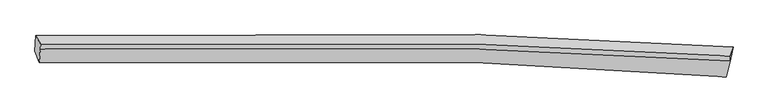
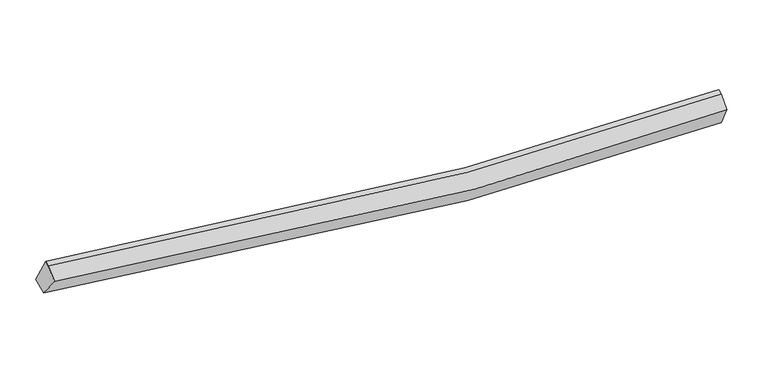
"""IFC4 building model written with IfcOpenShell, lengths in millimetres: proxy geometry."""

import ifcopenshell
import ifcopenshell.guid

model = None  # the IFC model being written
_history = None  # IfcOwnerHistory: only IFC2X3 demands one
_inside = {}  # id of a spatial element -> (the spatial element, [elements in it])
_under = {}  # id of a project, library or spatial element -> (it, [spatial elements below it])
_declared = {}  # id of a project -> (the project, [libraries it declares])
_typed = {}  # id of a type object -> (the type object, [elements of that type])
_made_of = {}  # id of a material, layer set ... -> (it, [elements and type objects made of it])


def new_model(schema):
    """Start an empty IFC model of exactly this schema.

    Asked for "IFC4X3", IfcOpenShell would pick the latest addendum, in which some entities
    have other attributes; the version numbers below select the first issue.
    IFC2X3 requires an IfcOwnerHistory on every rooted entity: one is made here for all.
    """
    global model, _history
    if schema == "IFC4X3":
        model = ifcopenshell.file(schema_version=(4, 3, 0, 0))
    else:
        model = ifcopenshell.file(schema=schema)
    _inside.clear()
    _under.clear()
    _declared.clear()
    _typed.clear()
    _made_of.clear()
    _history = None
    if model.schema == "IFC2X3":
        org = make("IfcOrganization", Name="unknown")
        user = make(
            "IfcPersonAndOrganization",
            ThePerson=make("IfcPerson", FamilyName="unknown"),
            TheOrganization=org,
        )
        app = make(
            "IfcApplication",
            ApplicationDeveloper=org,
            Version="unknown",
            ApplicationFullName="unknown",
            ApplicationIdentifier="unknown",
        )
        _history = make(
            "IfcOwnerHistory",
            OwningUser=user,
            OwningApplication=app,
            ChangeAction="ADDED",
            CreationDate=0,
        )
    return model


def make(cls, **values):
    """One entity of the class cls with the attributes given. An attribute that is None is left unset."""
    return model.create_entity(
        cls, **{name: value for name, value in values.items() if value is not None}
    )


def rooted(cls, **values):
    """An entity with a GlobalId (a new one), such as an element, a storey or a relation."""
    return make(cls, GlobalId=ifcopenshell.guid.new(), OwnerHistory=_history, **values)


def si_unit(unit_type, name, prefix=None):
    """IfcSIUnit, for example si_unit("LENGTHUNIT", "METRE", prefix="MILLI")."""
    return make("IfcSIUnit", UnitType=unit_type, Prefix=prefix, Name=name)


def assignment(units):
    """IfcUnitAssignment: the units of a project."""
    return None if units is None else make("IfcUnitAssignment", Units=units)


def point(xyz):
    """IfcCartesianPoint."""
    return None if xyz is None else make("IfcCartesianPoint", Coordinates=xyz)


def direction(xyz):
    """IfcDirection."""
    return None if xyz is None else make("IfcDirection", DirectionRatios=xyz)


def frame(location, z_axis=None, x_axis=None):
    """IfcAxis2Placement3D, a coordinate frame: its origin and axes. An axis left out is left unset."""
    return make(
        "IfcAxis2Placement3D",
        Location=point(location),
        Axis=direction(z_axis),
        RefDirection=direction(x_axis),
    )


def origin():
    """The frame at (0, 0, 0) with its axes left unset."""
    return frame((0.0, 0.0, 0.0))


def place(relative_to, where):
    """IfcLocalPlacement: puts the frame where relative to a parent placement (None: the world)."""
    return make(
        "IfcLocalPlacement", PlacementRelTo=relative_to, RelativePlacement=where
    )


def context(
    kind, dimensions, precision=None, world=None, true_north=None, identifier=None
):
    """IfcGeometricRepresentationContext, for example the 3D "Model" context."""
    return make(
        "IfcGeometricRepresentationContext",
        ContextIdentifier=identifier,
        ContextType=kind,
        CoordinateSpaceDimension=dimensions,
        Precision=precision,
        WorldCoordinateSystem=world,
        TrueNorth=true_north,
    )


def project(units=None, contexts=None):
    """IfcProject with its units and contexts."""
    return rooted(
        "IfcProject",
        Name="project",
        RepresentationContexts=contexts,
        UnitsInContext=assignment(units),
    )


def spatial(cls, under=None, at=None, **own):
    """A site, building, storey or space (cls), placed at a placement, below another one or the project."""
    s = rooted(cls, ObjectPlacement=at, **own)
    if under is not None:
        _under.setdefault(under.id(), (under, []))[1].append(s)
    return s


def shape(context_of_items, identifier, shape_type, items):
    """IfcShapeRepresentation: the items that make up one representation, for example the "Body"."""
    return make(
        "IfcShapeRepresentation",
        ContextOfItems=context_of_items,
        RepresentationIdentifier=identifier,
        RepresentationType=shape_type,
        Items=items,
    )


def source(mapping_origin, context_of_items, identifier, shape_type, items):
    """IfcRepresentationMap: a shape defined once, which mapped items show again and again."""
    return make(
        "IfcRepresentationMap",
        MappingOrigin=mapping_origin,
        MappedRepresentation=shape(context_of_items, identifier, shape_type, items),
    )


def transform(
    local_origin,
    x_axis=None,
    y_axis=None,
    z_axis=None,
    scale=None,
    scale2=None,
    scale3=None,
    uniform=True,
):
    """IfcCartesianTransformationOperator3D, or its non-uniform kind. x_axis, y_axis, z_axis: its Axis1, 2, 3."""
    if uniform:
        return make(
            "IfcCartesianTransformationOperator3D",
            Axis1=direction(x_axis),
            Axis2=direction(y_axis),
            LocalOrigin=point(local_origin),
            Scale=scale,
            Axis3=direction(z_axis),
        )
    return make(
        "IfcCartesianTransformationOperator3DnonUniform",
        Axis1=direction(x_axis),
        Axis2=direction(y_axis),
        LocalOrigin=point(local_origin),
        Scale=scale,
        Axis3=direction(z_axis),
        Scale2=scale2,
        Scale3=scale3,
    )


def mapped(mapping_source, mapping_target):
    """IfcMappedItem: shows the shape of a source again, moved by a transform."""
    return make(
        "IfcMappedItem", MappingSource=mapping_source, MappingTarget=mapping_target
    )


def made_of(thing, what):
    """Note that an element or type object is made of a material, layer set ...; save() writes the relation."""
    if what is not None:
        _made_of.setdefault(what.id(), (what, []))[1].append(thing)
    return thing


def element(
    cls,
    number,
    at=None,
    inside=None,
    cuts=None,
    type_object=None,
    material=None,
    context=None,
    identifier="Body",
    shape_type=None,
    held_by="IfcProductDefinitionShape",
    body=None,
    shapes=None,
    **own,
):
    """One element of the class cls, such as IfcWall. Its Tag is "e" and its number.

    at: its placement. inside: the storey or other place that contains it. cuts: it is an
    opening in that element (IfcRelVoidsElement). A single representation is given by context,
    identifier, shape_type and body (its items); several are given by shapes. held_by: the class
    of the entity that holds the representations. save() writes the other relations.
    """
    e = rooted(cls, Tag="e%d" % number, ObjectPlacement=at, **own)
    if body is not None:
        shapes = [shape(context, identifier, shape_type, body)]
    if shapes is not None:
        e.Representation = make(held_by, Representations=shapes)
    if inside is not None:
        _inside.setdefault(inside.id(), (inside, []))[1].append(e)
    if cuts is not None:
        rooted(
            "IfcRelVoidsElement", RelatingBuildingElement=cuts, RelatedOpeningElement=e
        )
    if type_object is not None:
        _typed.setdefault(type_object.id(), (type_object, []))[1].append(e)
    return made_of(e, material)


def aggregate(whole, parts):
    """IfcRelAggregates: a whole, such as a stair, and the parts it consists of."""
    return rooted("IfcRelAggregates", RelatingObject=whole, RelatedObjects=parts)


def save(model, path):
    """Write the relations noted so far, then the file.

    IfcRelAggregates (storeys below a building ...), IfcRelContainedInSpatialStructure (elements
    in a storey), IfcRelDefinesByType, IfcRelAssociatesMaterial and IfcRelDeclares: one each for
    every whole, place, type object, material and project.
    """
    for whole, parts in _under.values():
        aggregate(whole, parts)
    for where, things in _inside.values():
        rooted(
            "IfcRelContainedInSpatialStructure",
            RelatedElements=things,
            RelatingStructure=where,
        )
    for kind, things in _typed.values():
        rooted("IfcRelDefinesByType", RelatedObjects=things, RelatingType=kind)
    for what, things in _made_of.values():
        rooted("IfcRelAssociatesMaterial", RelatedObjects=things, RelatingMaterial=what)
    for by, libraries in _declared.values():
        rooted("IfcRelDeclares", RelatingContext=by, RelatedDefinitions=libraries)
    model.write(path)


def plane_surface(at):
    """IfcPlane: the flat surface through the origin of the frame at, square to its z axis."""
    return make("IfcPlane", Position=at)


def spline_curve(degree, points, multiplicities, knots, weights=None):
    """IfcBSplineCurveWithKnots; with weights, IfcRationalBSplineCurveWithKnots."""
    own = dict(
        Degree=degree,
        ControlPointsList=[point(p) for p in points],
        CurveForm="UNSPECIFIED",
        ClosedCurve=False,
        SelfIntersect=False,
        KnotMultiplicities=multiplicities,
        Knots=knots,
        KnotSpec="UNSPECIFIED",
    )
    if weights is None:
        return make("IfcBSplineCurveWithKnots", **own)
    return make("IfcRationalBSplineCurveWithKnots", WeightsData=weights, **own)


def spline_surface(u_degree, v_degree, points, u_multiplicities, v_multiplicities, u_knots, v_knots, weights=None):
    """IfcBSplineSurfaceWithKnots; with weights, IfcRationalBSplineSurfaceWithKnots. points: one row for each step in u."""
    own = dict(
        UDegree=u_degree,
        VDegree=v_degree,
        ControlPointsList=[[point(p) for p in row] for row in points],
        SurfaceForm="UNSPECIFIED",
        UClosed=False,
        VClosed=False,
        SelfIntersect=False,
        UMultiplicities=u_multiplicities,
        VMultiplicities=v_multiplicities,
        UKnots=u_knots,
        VKnots=v_knots,
        KnotSpec="UNSPECIFIED",
    )
    if weights is None:
        return make("IfcBSplineSurfaceWithKnots", **own)
    return make("IfcRationalBSplineSurfaceWithKnots", WeightsData=weights, **own)


def advanced_brep(points, edges, surfaces, faces):
    """IfcAdvancedBrep: a solid bounded by faces that lie on surfaces and meet in shared edges.

    An edge is (start, end): straight between two places in points (the first is 0);
    or (start, end, curve); or (start, end, curve, False) where it runs against its curve.
    A face is (place in surfaces, loops), or (place, loops, False) where it looks against
    its surface's normal. A loop lists edges by number (the first is 1), with a minus sign
    where the edge is run from its end to its start. The first loop is the outer one.
    """
    corners = [point(p) for p in points]
    vertices = [make("IfcVertexPoint", VertexGeometry=c) for c in corners]
    made = []
    for start, end, *more in edges:
        made.append(
            make(
                "IfcEdgeCurve",
                EdgeStart=vertices[start],
                EdgeEnd=vertices[end],
                EdgeGeometry=more[0] if more else make("IfcPolyline", Points=[corners[start], corners[end]]),
                SameSense=more[1] if len(more) > 1 else True,
            )
        )
    hull = []
    for where, loops, *sense in faces:
        bounds = []
        for j, loop in enumerate(loops):
            ring = [make("IfcOrientedEdge", EdgeElement=made[abs(k) - 1], Orientation=k > 0) for k in loop]
            bounds.append(
                make(
                    "IfcFaceOuterBound" if j == 0 else "IfcFaceBound",
                    Bound=make("IfcEdgeLoop", EdgeList=ring),
                    Orientation=True,
                )
            )
        hull.append(make("IfcAdvancedFace", Bounds=bounds, FaceSurface=surfaces[where], SameSense=sense[0] if sense else True))
    return make("IfcAdvancedBrep", Outer=make("IfcClosedShell", CfsFaces=hull))


def generic_models_8a6316df(model_context):
    return source(origin(), model_context, "Body", "AdvancedBrep", [
        advanced_brep(
        [(-9645.4913677, -2011.8560675, 3559.8799524), (-9629.677168, -1599.8119239, 3699.0227197), (8898.1457954, -1909.3241356, 2411.3974737), (8786.089627, -2331.1296569, 2255.5478235), (-9535.2324308, -2324.5552172, 4035.7604087), (8722.343011, -2707.2617336, 2883.3022507), (-9499.5952292, -1959.7413886, 4261.8543728), (8822.0594428, -2278.807266, 3040.438874), (-9493.82976, -1823.2496128, 4310.4522585), (8827.6261028, -2147.0221032, 3087.3609706)],
        [
            (0, 1),
            (1, 2, spline_curve(3, [(-9629.677168, -1599.8119239, 3699.0227197), (-5768.752631178, -1469.438667703, 2914.030283643), (-1877.450827623, -1462.911994679, 2453.941314081), (4318.64988148, -1648.272901537, 2240.353467756), (6603.289065901, -1757.970311263, 2271.234021725), (8898.1457954, -1909.3241356, 2411.3974737)], [4, 2, 4], [0.0, 38.57307817008552, 60.94396627935885])),
            (2, 3),
            (3, 0, spline_curve(3, [(8786.089627, -2331.1296569, 2255.5478235), (6533.880514004, -2169.263198188, 2103.746705187), (4280.556786977, -2052.473634301, 2066.250734369), (-1861.104355039, -1857.110158806, 2275.498393161), (-5751.640960642, -1867.475192116, 2747.771739151), (-9645.4913677, -2011.8560675, 3559.8799524)], [4, 2, 4], [0.0, 22.370888109273324, 60.94396627935885])),
            (4, 0),
            (3, 5),
            (5, 4, spline_curve(3, [(8722.343011, -2707.2617336, 2883.3022507), (6496.227170554, -2533.601173691, 2695.456037467), (4267.233900678, -2406.497765869, 2628.32485589), (-1812.947270072, -2187.069360085, 2774.300839268), (-5669.812480692, -2186.603929283, 3225.584739972), (-9535.2324308, -2324.5552172, 4035.7604087)], [4, 2, 4], [0.0, 22.210063324601833, 60.50583882523058])),
            (6, 4),
            (5, 7),
            (7, 6, spline_curve(3, [(8822.0594428, -2278.807266, 3040.438874), (6558.604840256, -2135.398216996, 2904.208691549), (4303.1007939, -2030.300174038, 2872.843851207), (-1819.804272141, -1848.355368878, 3073.077836399), (-5671.518449336, -1847.098118727, 3511.58117672), (-9499.5952292, -1959.7413886, 4261.8543728)], [4, 2, 4], [0.0, 22.13557958820701, 60.30292625881686])),
            (8, 6),
            (7, 9),
            (9, 8, spline_curve(3, [(8827.6261028, -2147.0221032, 3087.3609706), (6564.366799492, -1998.989537631, 2952.776990546), (4308.995292645, -1890.753753129, 2922.529343116), (-1813.719675666, -1704.308569224, 3124.365687776), (-5665.500122864, -1704.620190453, 3562.31043201), (-9493.82976, -1823.2496128, 4310.4522585)], [4, 2, 4], [0.0, 22.16793963625615, 60.39108322726048])),
            (1, 8),
            (9, 2),
            (7, 2),
            (3, 7),
        ],
        [
            spline_surface(3, 3, [[(-9645.4913677, -2011.8560675, 3559.8799524), (-5751.640960177, -1867.475192378, 2747.771739342), (-1861.104355547, -1857.110158492, 2275.49839274), (4280.556787271, -2052.473634483, 2066.250734613), (6533.880514175, -2169.263198201, 2103.746704958), (8786.089627, -2331.1296569, 2255.5478235)], [(-9640.219967797, -1874.508019639, 3606.260874834), (-5757.34485065, -1734.796350688, 2803.191253927), (-1866.553179756, -1725.710770609, 2334.979366443), (4293.254485441, -1917.740056791, 2124.284979068), (6557.016698152, -2032.165569183, 2159.575810623), (8823.441683119, -2190.527816482, 2307.497706913)], [(-9634.948567903, -1737.159971761, 3652.641797266), (-5763.048741133, -1602.117508982, 2858.610768511), (-1872.002003952, -1594.311382749, 2394.460340091), (4305.952183623, -1783.006479121, 2182.319223468), (6580.152882171, -1895.067940118, 2215.404916248), (8860.793739281, -2049.925976018, 2359.447590287)], [(-9629.677168, -1599.8119239, 3699.0227197), (-5768.752631607, -1469.438667293, 2914.030283096), (-1877.450828161, -1462.911994866, 2453.941313793), (4318.649881792, -1648.272901429, 2240.353467923), (6603.289066148, -1757.9703111, 2271.234021912), (8898.1457954, -1909.3241356, 2411.3974737)]], [4, 4], [4, 2, 4], [0.0, 1.4266822611315861], [0.0, 38.57307817008552, 60.94396627935885]),
            spline_surface(3, 3, [[(-9535.2324308, -2324.5552172, 4035.7604087), (-5669.812480254, -2186.603929431, 3225.58473973), (-1812.947269631, -2187.069360315, 2774.300839041), (4267.233900422, -2406.497765736, 2628.324856022), (6496.227170344, -2533.601173619, 2695.45603733), (8722.343011, -2707.2617336, 2883.3022507)], [(-9571.985409765, -2220.322167311, 3877.133589955), (-5697.088640226, -2080.227683758, 3066.313739622), (-1828.999631588, -2077.08295972, 2608.033356951), (4271.67486272, -2288.489721998, 2440.966815563), (6508.778284946, -2412.155181792, 2498.219593182), (8743.591882991, -2581.884374679, 2674.050774942)], [(-9608.738388735, -2116.089117389, 3718.506771145), (-5724.364800205, -1973.851438051, 2907.042739449), (-1845.05199359, -1967.096559087, 2441.76587483), (4276.115824973, -2170.481678221, 2253.608775072), (6521.329399573, -2290.709190028, 2300.983149107), (8764.840755009, -2456.507015821, 2464.799299258)], [(-9645.4913677, -2011.8560675, 3559.8799524), (-5751.640960177, -1867.475192378, 2747.771739342), (-1861.104355547, -1857.110158492, 2275.49839274), (4280.556787271, -2052.473634483, 2066.250734613), (6533.880514175, -2169.263198201, 2103.746704958), (8786.089627, -2331.1296569, 2255.5478235)]], [4, 4], [4, 2, 4], [0.0, 2.023795362376315], [0.0, 38.29577550062875, 60.50583882523058]),
            spline_surface(3, 3, [[(-9499.5952292, -1959.7413886, 4261.8543728), (-5671.518449181, -1847.098118936, 3511.581177064), (-1819.804271641, -1848.355368683, 3073.077836985), (4303.10079361, -2030.300174151, 2872.843850868), (6558.604840061, -2135.398216864, 2904.208691307), (8822.0594428, -2278.807266, 3040.438874)], [(-9511.474296422, -2081.345998126, 4186.489718103), (-5670.949792894, -1960.266722427, 3416.249031289), (-1817.518604318, -1961.260032535, 2973.485504328), (4291.145162534, -2155.699371321, 2791.337519243), (6537.81228349, -2268.132535788, 2834.624473322), (8788.820632201, -2421.625421872, 2988.059999573)], [(-9523.353363578, -2202.950607674, 4111.125063397), (-5670.381136541, -2073.435325939, 3320.916885505), (-1815.232936954, -2074.164696463, 2873.893171697), (4279.189531498, -2281.098568566, 2709.831187646), (6517.019726916, -2400.866854695, 2765.040255316), (8755.581821599, -2564.443577728, 2935.681125127)], [(-9535.2324308, -2324.5552172, 4035.7604087), (-5669.812480254, -2186.603929431, 3225.58473973), (-1812.947269631, -2187.069360315, 2774.300839041), (4267.233900422, -2406.497765736, 2628.324856022), (6496.227170344, -2533.601173619, 2695.45603733), (8722.343011, -2707.2617336, 2883.3022507)]], [4, 4], [4, 2, 4], [0.0, 1.4722844425225], [0.0, 38.16734667060985, 60.30292625881686]),
            spline_surface(3, 3, [[(-9493.82976, -1823.2496128, 4310.4522585), (-5665.500122426, -1704.62019084, 3562.310431807), (-1813.719675108, -1704.308569659, 3124.365688151), (4308.995292321, -1890.753752877, 2922.529342899), (6564.366799316, -1998.989537544, 2952.776990591), (8827.6261028, -2147.0221032, 3087.3609706)], [(-9495.751583069, -1868.746871402, 4294.252963241), (-5667.506231347, -1752.112833541, 3545.4006802), (-1815.747873949, -1752.324169356, 3107.269737748), (4307.030459421, -1937.269226657, 2905.967512208), (6562.446146256, -2044.459097333, 2936.587557493), (8825.770549492, -2190.950490816, 3071.720271729)], [(-9497.673406131, -1914.244129998, 4278.053668059), (-5669.51234026, -1799.605476235, 3528.490928671), (-1817.7760728, -1800.339768986, 3090.173787387), (4305.065626511, -1983.784700371, 2889.405681559), (6560.525493121, -2089.928657074, 2920.398124406), (8823.914996108, -2234.878878384, 3056.079572871)], [(-9499.5952292, -1959.7413886, 4261.8543728), (-5671.518449181, -1847.098118936, 3511.581177064), (-1819.804271641, -1848.355368683, 3073.077836985), (4303.10079361, -2030.300174151, 2872.843850868), (6558.604840061, -2135.398216864, 2904.208691307), (8822.0594428, -2278.807266, 3040.438874)]], [4, 4], [4, 2, 4], [0.0, 0.4963437821170655], [0.0, 38.22314359100433, 60.39108322726048]),
            spline_surface(3, 3, [[(-9629.677168, -1599.8119239, 3699.0227197), (-5768.752631607, -1469.438667293, 2914.030283096), (-1877.450828161, -1462.911994866, 2453.941313793), (4318.649881792, -1648.272901429, 2240.353467923), (6603.289066148, -1757.9703111, 2271.234021912), (8898.1457954, -1909.3241356, 2411.3974737)], [(-9584.394698648, -1674.291153522, 3902.832565967), (-5734.335128527, -1547.832508463, 3130.123666), (-1856.207110477, -1543.377519795, 2677.416105239), (4315.431685301, -1729.09985191, 2467.745426242), (6590.314977201, -1838.310053231, 2498.415011481), (8874.639231197, -1988.55679145, 2636.718639342)], [(-9539.112229352, -1748.770383178, 4106.642412233), (-5699.917625505, -1626.226349669, 3346.217048903), (-1834.963392792, -1623.84304473, 2900.890896704), (4312.213488812, -1809.926802396, 2695.13738458), (6577.340888263, -1918.649795412, 2725.596001023), (8851.132667003, -2067.78944735, 2862.039804958)], [(-9493.82976, -1823.2496128, 4310.4522585), (-5665.500122426, -1704.62019084, 3562.310431807), (-1813.719675108, -1704.308569659, 3124.365688151), (4308.995292321, -1890.753752877, 2922.529342899), (6564.366799316, -1998.989537544, 2952.776990591), (8827.6261028, -2147.0221032, 3087.3609706)]], [4, 4], [4, 2, 4], [0.0, 2.344535476126351], [0.0, 38.44490764443395, 60.7414618238193]),
            plane_surface(frame((-9560.7651912, -1943.842842, 3973.3939424), z_axis=(-0.9781042552582315, -0.03190789360691441, 0.20565493471178953), x_axis=(-0.036338529588715876, -0.9468122685773412, -0.31972807092709055))),
            plane_surface(frame((8849.2771137, -2111.7178349, 2846.3991061), z_axis=(0.9943972868993911, -0.07015665415230436, 0.07907009349484855), x_axis=(0.1037326869314996, 0.5037365653078653, -0.8576065545655573))),
            plane_surface(frame((8776.8306936, -2439.0662189, 2726.4296494), z_axis=(0.9759202700031069, -0.21600935674356336, -0.030324649978111948), x_axis=(-0.21346706635902757, -0.9172100988968795, -0.33638883165415445))),
            plane_surface(frame((8835.4316217, -2173.0870195, 2569.1280571), z_axis=(0.9686123789035779, -0.24700268857069152, -0.027923668698823956), x_axis=(-0.045678565168391624, -0.06644492571564503, -0.9967439693977583))),
        ],
        [
            (0, [[1, 2, 3, 4]]),
            (1, [[5, -4, 6, 7]]),
            (2, [[8, -7, 9, 10]]),
            (3, [[11, -10, 12, 13]]),
            (4, [[14, -13, 15, -2]]),
            (5, [[-1, -5, -8, -11, -14]]),
            (6, [[16, -15, -12]]),
            (7, [[-9, -6, 17]]),
            (8, [[-17, -3, -16]]),
        ],
    ),
    ])


if __name__ == "__main__":
    model = new_model("IFC4")
    model_context = context("Model", 3, world=origin())
    ifc_project = project(units=[si_unit("LENGTHUNIT", "METRE", prefix="MILLI")], contexts=[model_context])
    site = spatial("IfcSite", under=ifc_project)
    building = spatial("IfcBuilding", under=site)
    placement = place(None, origin())
    generic_models_shape = generic_models_8a6316df(model_context)
    element("IfcBuildingElementProxy", 1, Name="Generic Models", at=placement, inside=building, context=model_context, shape_type="MappedRepresentation", body=[
        mapped(generic_models_shape, transform((0.0, 0.0, 0.0), x_axis=(1.0, 0.0, 0.0), y_axis=(0.0, 1.0, 0.0), z_axis=(0.0, 0.0, 1.0))),
    ])
    save(model, "model.ifc")
